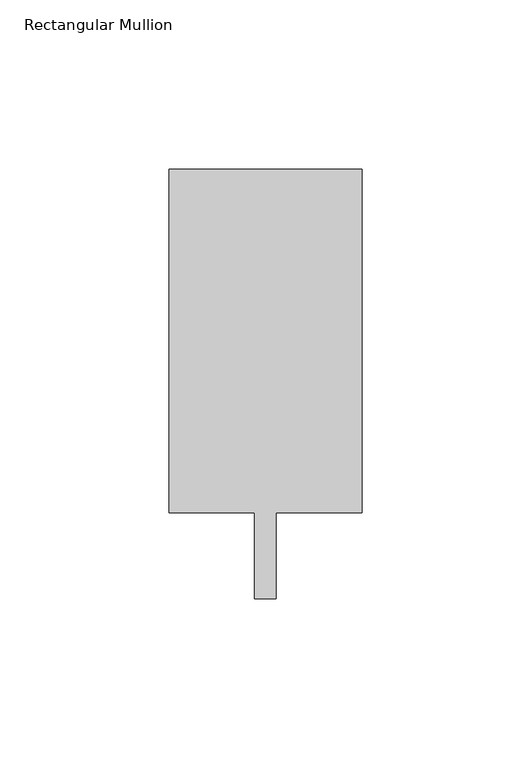
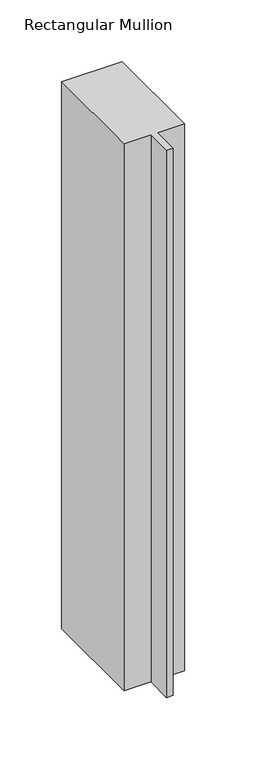
"""IFC4 building model written with IfcOpenShell, lengths in millimetres: member geometry, Rectangular Mullion."""

from ifc_helpers import new_model, si_unit, frame, origin, place, context, project, spatial, polyline, outline, extrude, source, transform, mapped, element, save


def rectangular_mullion_b2f5af92(model_context):
    return source(origin(), model_context, "Body", "SweptSolid", [
        extrude(outline(polyline([(28.575, 114.3), (28.575, 12.7), (3.175, 12.7), (3.175, -12.7), (-3.175, -12.7), (-3.175, 12.7), (-28.575, 12.7), (-28.575, 114.3), (28.575, 114.3)])), frame((0.0, 0.0, -542.925), z_axis=(0.0, 0.0, 1.0), x_axis=(1.0, 0.0, 0.0)), (0.0, 0.0, 1.0), 542.925),
    ])


if __name__ == "__main__":
    model = new_model("IFC4")
    model_context = context("Model", 3, world=origin())
    ifc_project = project(units=[si_unit("LENGTHUNIT", "METRE", prefix="MILLI")], contexts=[model_context])
    site = spatial("IfcSite", under=ifc_project)
    building = spatial("IfcBuilding", under=site)
    placement = place(None, origin())
    rectangular_mullion_shape = rectangular_mullion_b2f5af92(model_context)
    element("IfcMember", 1, ObjectType="Rectangular Mullion", at=placement, inside=building, context=model_context, shape_type="MappedRepresentation", body=[
        mapped(rectangular_mullion_shape, transform((0.0, 0.0, 0.0), x_axis=(1.0, 0.0, 0.0), y_axis=(0.0, 1.0, 0.0), z_axis=(0.0, 0.0, 1.0))),
    ])
    save(model, "model.ifc")
